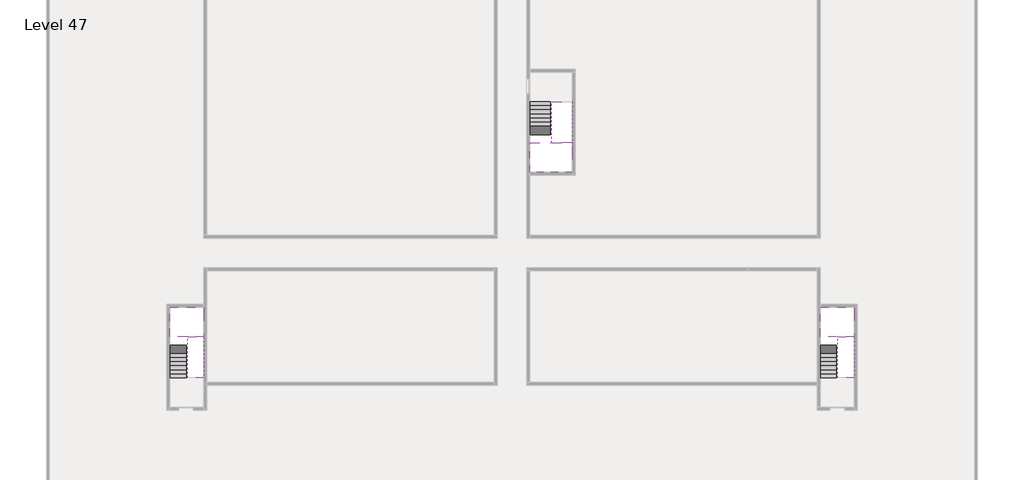
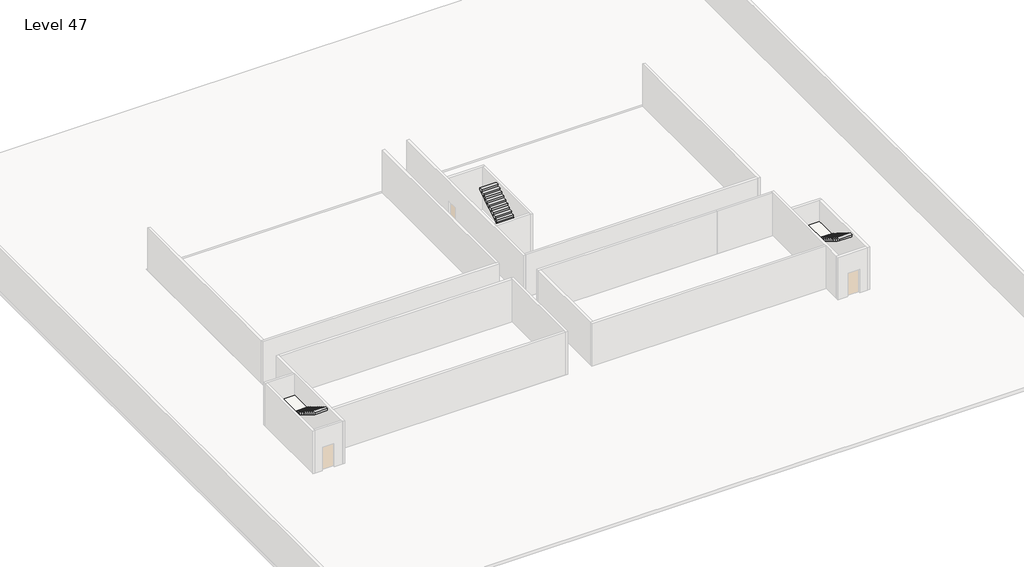
# One storey, part 2 of 2: 6 stair flights, 3 slabs.
"""IFC4 building model written with IfcOpenShell, lengths in millimetres."""

import ifcopenshell
import ifcopenshell.guid

model = None  # the IFC model being written
_history = None  # IfcOwnerHistory: only IFC2X3 demands one
_inside = {}  # id of a spatial element -> (the spatial element, [elements in it])
_under = {}  # id of a project, library or spatial element -> (it, [spatial elements below it])
_declared = {}  # id of a project -> (the project, [libraries it declares])
_typed = {}  # id of a type object -> (the type object, [elements of that type])
_made_of = {}  # id of a material, layer set ... -> (it, [elements and type objects made of it])


def new_model(schema):
    """Start an empty IFC model of exactly this schema.

    Asked for "IFC4X3", IfcOpenShell would pick the latest addendum, in which some entities
    have other attributes; the version numbers below select the first issue.
    IFC2X3 requires an IfcOwnerHistory on every rooted entity: one is made here for all.
    """
    global model, _history
    if schema == "IFC4X3":
        model = ifcopenshell.file(schema_version=(4, 3, 0, 0))
    else:
        model = ifcopenshell.file(schema=schema)
    _inside.clear()
    _under.clear()
    _declared.clear()
    _typed.clear()
    _made_of.clear()
    _history = None
    if model.schema == "IFC2X3":
        org = make("IfcOrganization", Name="unknown")
        user = make(
            "IfcPersonAndOrganization",
            ThePerson=make("IfcPerson", FamilyName="unknown"),
            TheOrganization=org,
        )
        app = make(
            "IfcApplication",
            ApplicationDeveloper=org,
            Version="unknown",
            ApplicationFullName="unknown",
            ApplicationIdentifier="unknown",
        )
        _history = make(
            "IfcOwnerHistory",
            OwningUser=user,
            OwningApplication=app,
            ChangeAction="ADDED",
            CreationDate=0,
        )
    return model


def make(cls, **values):
    """One entity of the class cls with the attributes given. An attribute that is None is left unset."""
    return model.create_entity(
        cls, **{name: value for name, value in values.items() if value is not None}
    )


def rooted(cls, **values):
    """An entity with a GlobalId (a new one), such as an element, a storey or a relation."""
    return make(cls, GlobalId=ifcopenshell.guid.new(), OwnerHistory=_history, **values)


def si_unit(unit_type, name, prefix=None):
    """IfcSIUnit, for example si_unit("LENGTHUNIT", "METRE", prefix="MILLI")."""
    return make("IfcSIUnit", UnitType=unit_type, Prefix=prefix, Name=name)


def assignment(units):
    """IfcUnitAssignment: the units of a project."""
    return None if units is None else make("IfcUnitAssignment", Units=units)


def point(xyz):
    """IfcCartesianPoint."""
    return None if xyz is None else make("IfcCartesianPoint", Coordinates=xyz)


def direction(xyz):
    """IfcDirection."""
    return None if xyz is None else make("IfcDirection", DirectionRatios=xyz)


def frame(location, z_axis=None, x_axis=None):
    """IfcAxis2Placement3D, a coordinate frame: its origin and axes. An axis left out is left unset."""
    return make(
        "IfcAxis2Placement3D",
        Location=point(location),
        Axis=direction(z_axis),
        RefDirection=direction(x_axis),
    )


def origin():
    """The frame at (0, 0, 0) with its axes left unset."""
    return frame((0.0, 0.0, 0.0))


def place(relative_to, where):
    """IfcLocalPlacement: puts the frame where relative to a parent placement (None: the world)."""
    return make(
        "IfcLocalPlacement", PlacementRelTo=relative_to, RelativePlacement=where
    )


def context(
    kind, dimensions, precision=None, world=None, true_north=None, identifier=None
):
    """IfcGeometricRepresentationContext, for example the 3D "Model" context."""
    return make(
        "IfcGeometricRepresentationContext",
        ContextIdentifier=identifier,
        ContextType=kind,
        CoordinateSpaceDimension=dimensions,
        Precision=precision,
        WorldCoordinateSystem=world,
        TrueNorth=true_north,
    )


def project(units=None, contexts=None):
    """IfcProject with its units and contexts."""
    return rooted(
        "IfcProject",
        Name="project",
        RepresentationContexts=contexts,
        UnitsInContext=assignment(units),
    )


def spatial(cls, under=None, at=None, **own):
    """A site, building, storey or space (cls), placed at a placement, below another one or the project."""
    s = rooted(cls, ObjectPlacement=at, **own)
    if under is not None:
        _under.setdefault(under.id(), (under, []))[1].append(s)
    return s


def faces_of(points, faces, orient=None, outer=None):
    """IfcFace entities. A face is a list of loops; a loop is a list of indices into points, from 0.

    orient and outer hold one flag for each loop. By default every Orientation is true, the
    first loop of a face is its IfcFaceOuterBound and the others are IfcFaceBound.
    """
    made = []
    for i, loops in enumerate(faces):
        bounds = []
        for j, loop in enumerate(loops):
            is_outer = j == 0 if outer is None else outer[i][j]
            bounds.append(
                make(
                    "IfcFaceOuterBound" if is_outer else "IfcFaceBound",
                    Bound=make("IfcPolyLoop", Polygon=[points[k] for k in loop]),
                    Orientation=True if orient is None else orient[i][j],
                )
            )
        made.append(make("IfcFace", Bounds=bounds))
    return made


def faceted_brep(points, faces, orient=None, outer=None, voids=None):
    """IfcFacetedBrep: a solid bounded by flat faces; with voids (closed shells), ...WithVoids."""
    shared = [point(p) for p in points]
    hull = make("IfcClosedShell", CfsFaces=faces_of(shared, faces, orient, outer))
    if voids is None:
        return make("IfcFacetedBrep", Outer=hull)
    return make(
        "IfcFacetedBrepWithVoids",
        Outer=hull,
        Voids=[
            make(cls, CfsFaces=faces_of(shared, fs, o, b)) for cls, fs, o, b in voids
        ],
    )


def shape(context_of_items, identifier, shape_type, items):
    """IfcShapeRepresentation: the items that make up one representation, for example the "Body"."""
    return make(
        "IfcShapeRepresentation",
        ContextOfItems=context_of_items,
        RepresentationIdentifier=identifier,
        RepresentationType=shape_type,
        Items=items,
    )


def made_of(thing, what):
    """Note that an element or type object is made of a material, layer set ...; save() writes the relation."""
    if what is not None:
        _made_of.setdefault(what.id(), (what, []))[1].append(thing)
    return thing


def element(
    cls,
    number,
    at=None,
    inside=None,
    cuts=None,
    type_object=None,
    material=None,
    context=None,
    identifier="Body",
    shape_type=None,
    held_by="IfcProductDefinitionShape",
    body=None,
    shapes=None,
    **own,
):
    """One element of the class cls, such as IfcWall. Its Tag is "e" and its number.

    at: its placement. inside: the storey or other place that contains it. cuts: it is an
    opening in that element (IfcRelVoidsElement). A single representation is given by context,
    identifier, shape_type and body (its items); several are given by shapes. held_by: the class
    of the entity that holds the representations. save() writes the other relations.
    """
    e = rooted(cls, Tag="e%d" % number, ObjectPlacement=at, **own)
    if body is not None:
        shapes = [shape(context, identifier, shape_type, body)]
    if shapes is not None:
        e.Representation = make(held_by, Representations=shapes)
    if inside is not None:
        _inside.setdefault(inside.id(), (inside, []))[1].append(e)
    if cuts is not None:
        rooted(
            "IfcRelVoidsElement", RelatingBuildingElement=cuts, RelatedOpeningElement=e
        )
    if type_object is not None:
        _typed.setdefault(type_object.id(), (type_object, []))[1].append(e)
    return made_of(e, material)


def aggregate(whole, parts):
    """IfcRelAggregates: a whole, such as a stair, and the parts it consists of."""
    return rooted("IfcRelAggregates", RelatingObject=whole, RelatedObjects=parts)


def save(model, path):
    """Write the relations noted so far, then the file.

    IfcRelAggregates (storeys below a building ...), IfcRelContainedInSpatialStructure (elements
    in a storey), IfcRelDefinesByType, IfcRelAssociatesMaterial and IfcRelDeclares: one each for
    every whole, place, type object, material and project.
    """
    for whole, parts in _under.values():
        aggregate(whole, parts)
    for where, things in _inside.values():
        rooted(
            "IfcRelContainedInSpatialStructure",
            RelatedElements=things,
            RelatingStructure=where,
        )
    for kind, things in _typed.values():
        rooted("IfcRelDefinesByType", RelatedObjects=things, RelatingType=kind)
    for what, things in _made_of.values():
        rooted("IfcRelAssociatesMaterial", RelatedObjects=things, RelatingMaterial=what)
    for by, libraries in _declared.values():
        rooted("IfcRelDeclares", RelatingContext=by, RelatedDefinitions=libraries)
    model.write(path)


model = new_model("IFC4")

# Units and contexts
model_context = context("Model", 3, world=origin())
ifc_project = project(units=[si_unit("LENGTHUNIT", "METRE", prefix="MILLI")], contexts=[model_context])

# Site, building, storey
site = spatial("IfcSite", under=ifc_project)
building = spatial("IfcBuilding", under=site)
storey = spatial("IfcBuildingStorey", under=building, Name="Level 47", Elevation=174800.0)

# Slabs
placement = place(None, origin())
element("IfcSlab", 1, at=placement, inside=storey, context=model_context, shape_type="Brep", body=[
    faceted_brep([(26790.1058784, -34218.09644, 176700.0), (25390.1058784, -34218.09644, 176700.0), (25390.1058784, -34297.4828763, 176700.0), (25390.1058784, -36218.09644, 176700.0), (28290.1058784, -36218.09644, 176700.0), (28290.1058784, -34418.7100038, 176700.0), (28290.1058784, -34218.09644, 176700.0), (26890.1058784, -34218.09644, 176700.0), (26790.1058784, -34218.09644, 176400.0), (26790.1058784, -34218.09644, 176351.0278478), (25390.1058784, -34218.09644, 176351.0278478), (25390.1058784, -34218.09644, 176527.2727273), (25390.1058784, -34297.4828763, 176400.0), (25390.1058784, -36218.09644, 176400.0), (28290.1058784, -36218.09644, 176400.0), (28290.1058784, -34418.7100038, 176400.0), (28290.1058784, -34218.09644, 176523.7551205), (26890.1058784, -34218.09644, 176523.7551205), (26890.1058784, -34218.09644, 176400.0), (26890.1058784, -34418.7100038, 176400.0), (26790.1058784, -34297.4828763, 176400.0)], [[[0, 1, 2, 3, 4, 5, 6, 7]], [[1, 0, 8, 9, 10, 11]], [[1, 11, 10, 12, 13, 3, 2]], [[4, 3, 13, 14]], [[4, 14, 15, 16, 6, 5]], [[7, 6, 16, 17]], [[0, 7, 17, 18, 8]], [[18, 19, 15, 14, 13, 12, 20, 8]], [[19, 18, 17]], [[20, 12, 10, 9]], [[8, 20, 9]], [[15, 19, 17, 16]]]),
])
element("IfcSlab", 2, at=placement, inside=storey, context=model_context, shape_type="Brep", body=[
    faceted_brep([(45190.1058784, -47418.09644, 176700.0), (46290.1058784, -47418.09644, 176700.0), (46390.1058784, -47418.09644, 176700.0), (47490.1058784, -47418.09644, 176700.0), (47490.1058784, -47217.4828763, 176700.0), (47490.1058784, -45418.09644, 176700.0), (45190.1058784, -45418.09644, 176700.0), (45190.1058784, -47338.7100038, 176700.0), (45190.1058784, -47418.09644, 176527.2727273), (45190.1058784, -47418.09644, 176351.0278478), (46290.1058784, -47418.09644, 176351.0278478), (46290.1058784, -47418.09644, 176400.0), (46390.1058784, -47418.09644, 176400.0), (46390.1058784, -47418.09644, 176523.7551205), (47490.1058784, -47418.09644, 176523.7551205), (47490.1058784, -47217.4828763, 176400.0), (47490.1058784, -45418.09644, 176400.0), (45190.1058784, -45418.09644, 176400.0), (45190.1058784, -47338.7100038, 176400.0), (46390.1058784, -47217.4828763, 176400.0), (46290.1058784, -47338.7100038, 176400.0)], [[[0, 1, 2, 3, 4, 5, 6, 7]], [[1, 0, 8, 9, 10, 11]], [[2, 1, 11, 12, 13]], [[3, 2, 13, 14]], [[3, 14, 15, 16, 5, 4]], [[6, 5, 16, 17]], [[9, 8, 0, 7, 6, 17, 18]], [[19, 12, 11, 20, 18, 17, 16, 15]], [[12, 19, 13]], [[18, 20, 10, 9]], [[20, 11, 10]], [[19, 15, 14, 13]]]),
])
element("IfcSlab", 3, at=placement, inside=storey, context=model_context, shape_type="Brep", body=[
    faceted_brep([(890.1058784, -47418.09644, 176700.0), (1990.1058784, -47418.09644, 176700.0), (2090.1058784, -47418.09644, 176700.0), (3190.1058784, -47418.09644, 176700.0), (3190.1058784, -47217.4828763, 176700.0), (3190.1058784, -45418.09644, 176700.0), (890.1058784, -45418.09644, 176700.0), (890.1058784, -47338.7100038, 176700.0), (890.1058784, -47418.09644, 176527.2727273), (890.1058784, -47418.09644, 176351.0278478), (1990.1058784, -47418.09644, 176351.0278478), (1990.1058784, -47418.09644, 176400.0), (2090.1058784, -47418.09644, 176400.0), (2090.1058784, -47418.09644, 176523.7551205), (3190.1058784, -47418.09644, 176523.7551205), (3190.1058784, -47217.4828763, 176400.0), (3190.1058784, -45418.09644, 176400.0), (890.1058784, -45418.09644, 176400.0), (890.1058784, -47338.7100038, 176400.0), (2090.1058784, -47217.4828763, 176400.0), (1990.1058784, -47338.7100038, 176400.0)], [[[0, 1, 2, 3, 4, 5, 6, 7]], [[1, 0, 8, 9, 10, 11]], [[2, 1, 11, 12, 13]], [[3, 2, 13, 14]], [[3, 14, 15, 16, 5, 4]], [[6, 5, 16, 17]], [[9, 8, 0, 7, 6, 17, 18]], [[19, 12, 11, 20, 18, 17, 16, 15]], [[12, 19, 13]], [[18, 20, 10, 9]], [[20, 11, 10]], [[19, 15, 14, 13]]]),
])

# Stair flights
element("IfcStairFlight", 4, at=placement, inside=storey, context=model_context, shape_type="Brep", body=[
    faceted_brep([(26790.1058784, -31698.09644, 174972.7272727), (26790.1058784, -31418.09644, 174972.7272727), (25390.1058784, -31418.09644, 174972.7272727), (25390.1058784, -31698.09644, 174972.7272727), (26790.1058784, -31698.09644, 174800.0), (26790.1058784, -31418.09644, 174800.0), (25390.1058784, -31418.09644, 174800.0), (25390.1058784, -31698.09644, 174800.0), (26790.1058784, -31978.09644, 175145.4545455), (26790.1058784, -31698.09644, 175145.4545455), (25390.1058784, -31698.09644, 175145.4545455), (25390.1058784, -31978.09644, 175145.4545455), (26790.1058784, -31978.09644, 174969.209666), (26790.1058784, -31703.7986657, 174800.0), (25390.1058784, -31703.7986657, 174800.0), (25390.1058784, -31978.09644, 174969.209666), (26790.1058784, -32258.09644, 175318.1818182), (26790.1058784, -31978.09644, 175318.1818182), (25390.1058784, -31978.09644, 175318.1818182), (25390.1058784, -32258.09644, 175318.1818182), (26790.1058784, -32258.09644, 175141.9369387), (25390.1058784, -32258.09644, 175141.9369387), (26790.1058784, -32538.09644, 175490.9090909), (26790.1058784, -32258.09644, 175490.9090909), (25390.1058784, -32258.09644, 175490.9090909), (25390.1058784, -32538.09644, 175490.9090909), (26790.1058784, -32538.09644, 175314.6642114), (25390.1058784, -32538.09644, 175314.6642114), (26790.1058784, -32818.09644, 175663.6363636), (26790.1058784, -32538.09644, 175663.6363636), (25390.1058784, -32538.09644, 175663.6363636), (25390.1058784, -32818.09644, 175663.6363636), (26790.1058784, -32818.09644, 175487.3914841), (25390.1058784, -32818.09644, 175487.3914841), (26790.1058784, -33098.09644, 175836.3636364), (26790.1058784, -32818.09644, 175836.3636364), (25390.1058784, -32818.09644, 175836.3636364), (25390.1058784, -33098.09644, 175836.3636364), (26790.1058784, -33098.09644, 175660.1187569), (25390.1058784, -33098.09644, 175660.1187569), (26790.1058784, -33378.09644, 176009.0909091), (26790.1058784, -33098.09644, 176009.0909091), (25390.1058784, -33098.09644, 176009.0909091), (25390.1058784, -33378.09644, 176009.0909091), (26790.1058784, -33378.09644, 175832.8460296), (25390.1058784, -33378.09644, 175832.8460296), (26790.1058784, -33658.09644, 176181.8181818), (26790.1058784, -33378.09644, 176181.8181818), (25390.1058784, -33378.09644, 176181.8181818), (25390.1058784, -33658.09644, 176181.8181818), (26790.1058784, -33658.09644, 176005.5733023), (25390.1058784, -33658.09644, 176005.5733023), (26790.1058784, -33938.09644, 176354.5454545), (26790.1058784, -33658.09644, 176354.5454545), (25390.1058784, -33658.09644, 176354.5454545), (25390.1058784, -33938.09644, 176354.5454545), (26790.1058784, -33938.09644, 176178.3005751), (25390.1058784, -33938.09644, 176178.3005751), (26790.1058784, -34218.09644, 176527.2727273), (26790.1058784, -33938.09644, 176527.2727273), (25390.1058784, -33938.09644, 176527.2727273), (25390.1058784, -34218.09644, 176527.2727273), (26790.1058784, -34218.09644, 176400.0), (26790.1058784, -34218.09644, 176351.0278478), (25390.1058784, -34218.09644, 176351.0278478)], [[[0, 1, 2, 3]], [[1, 0, 4, 5]], [[2, 1, 5, 6]], [[3, 2, 6, 7]], [[8, 9, 10, 11]], [[4, 0, 9, 8, 12, 13]], [[0, 3, 10, 9]], [[3, 7, 14, 15, 11, 10]], [[16, 17, 18, 19]], [[17, 16, 20, 12, 8]], [[8, 11, 18, 17]], [[19, 18, 11, 15, 21]], [[22, 23, 24, 25]], [[23, 22, 26, 20, 16]], [[16, 19, 24, 23]], [[25, 24, 19, 21, 27]], [[28, 29, 30, 31]], [[29, 28, 32, 26, 22]], [[22, 25, 30, 29]], [[31, 30, 25, 27, 33]], [[34, 35, 36, 37]], [[35, 34, 38, 32, 28]], [[28, 31, 36, 35]], [[37, 36, 31, 33, 39]], [[40, 41, 42, 43]], [[41, 40, 44, 38, 34]], [[34, 37, 42, 41]], [[43, 42, 37, 39, 45]], [[46, 47, 48, 49]], [[47, 46, 50, 44, 40]], [[40, 43, 48, 47]], [[49, 48, 43, 45, 51]], [[52, 53, 54, 55]], [[53, 52, 56, 50, 46]], [[46, 49, 54, 53]], [[55, 54, 49, 51, 57]], [[58, 59, 60, 61]], [[59, 58, 62, 63, 56, 52]], [[52, 55, 60, 59]], [[61, 60, 55, 57, 64]], [[58, 61, 64, 63, 62]], [[5, 4, 13, 14, 7, 6]], [[14, 13, 12, 20, 26, 32, 38, 44, 50, 56, 63, 64, 57, 51, 45, 39, 33, 27, 21, 15]]]),
])
element("IfcStairFlight", 5, at=placement, inside=storey, context=model_context, shape_type="Brep", body=[
    faceted_brep([(26890.1058784, -33938.09644, 176872.7272727), (26890.1058784, -34218.09644, 176872.7272727), (28290.1058784, -34218.09644, 176872.7272727), (28290.1058784, -33938.09644, 176872.7272727), (26890.1058784, -33938.09644, 176696.4823932), (26890.1058784, -34218.09644, 176523.7551205), (28290.1058784, -34218.09644, 176523.7551205), (28290.1058784, -34218.09644, 176700.0), (28290.1058784, -33938.09644, 176696.4823932), (26890.1058784, -33658.09644, 177045.4545455), (26890.1058784, -33938.09644, 177045.4545455), (28290.1058784, -33938.09644, 177045.4545455), (28290.1058784, -33658.09644, 177045.4545455), (26890.1058784, -33658.09644, 176869.209666), (28290.1058784, -33658.09644, 176869.209666), (26890.1058784, -33378.09644, 177218.1818182), (26890.1058784, -33658.09644, 177218.1818182), (28290.1058784, -33658.09644, 177218.1818182), (28290.1058784, -33378.09644, 177218.1818182), (26890.1058784, -33378.09644, 177041.9369387), (28290.1058784, -33378.09644, 177041.9369387), (26890.1058784, -33098.09644, 177390.9090909), (26890.1058784, -33378.09644, 177390.9090909), (28290.1058784, -33378.09644, 177390.9090909), (28290.1058784, -33098.09644, 177390.9090909), (26890.1058784, -33098.09644, 177214.6642114), (28290.1058784, -33098.09644, 177214.6642114), (26890.1058784, -32818.09644, 177563.6363636), (26890.1058784, -33098.09644, 177563.6363636), (28290.1058784, -33098.09644, 177563.6363636), (28290.1058784, -32818.09644, 177563.6363636), (26890.1058784, -32818.09644, 177387.3914841), (28290.1058784, -32818.09644, 177387.3914841), (26890.1058784, -32538.09644, 177736.3636364), (26890.1058784, -32818.09644, 177736.3636364), (28290.1058784, -32818.09644, 177736.3636364), (28290.1058784, -32538.09644, 177736.3636364), (26890.1058784, -32538.09644, 177560.1187569), (28290.1058784, -32538.09644, 177560.1187569), (26890.1058784, -32258.09644, 177909.0909091), (26890.1058784, -32538.09644, 177909.0909091), (28290.1058784, -32538.09644, 177909.0909091), (28290.1058784, -32258.09644, 177909.0909091), (26890.1058784, -32258.09644, 177732.8460296), (28290.1058784, -32258.09644, 177732.8460296), (26890.1058784, -31978.09644, 178081.8181818), (26890.1058784, -32258.09644, 178081.8181818), (28290.1058784, -32258.09644, 178081.8181818), (28290.1058784, -31978.09644, 178081.8181818), (26890.1058784, -31978.09644, 177905.5733023), (28290.1058784, -31978.09644, 177905.5733023), (26890.1058784, -31698.09644, 178254.5454545), (26890.1058784, -31978.09644, 178254.5454545), (28290.1058784, -31978.09644, 178254.5454545), (28290.1058784, -31698.09644, 178254.5454545), (26890.1058784, -31698.09644, 178078.3005751), (28290.1058784, -31698.09644, 178078.3005751), (26890.1058784, -31418.09644, 178427.2727273), (26890.1058784, -31698.09644, 178427.2727273), (28290.1058784, -31698.09644, 178427.2727273), (28290.1058784, -31418.09644, 178427.2727273), (26890.1058784, -31418.09644, 178251.0278478), (28290.1058784, -31418.09644, 178251.0278478)], [[[0, 1, 2, 3]], [[1, 0, 4, 5]], [[2, 1, 5, 6, 7]], [[3, 2, 7, 6, 8]], [[9, 10, 11, 12]], [[10, 9, 13, 4, 0]], [[11, 10, 0, 3]], [[12, 11, 3, 8, 14]], [[15, 16, 17, 18]], [[16, 15, 19, 13, 9]], [[17, 16, 9, 12]], [[18, 17, 12, 14, 20]], [[21, 22, 23, 24]], [[22, 21, 25, 19, 15]], [[23, 22, 15, 18]], [[24, 23, 18, 20, 26]], [[27, 28, 29, 30]], [[28, 27, 31, 25, 21]], [[29, 28, 21, 24]], [[30, 29, 24, 26, 32]], [[33, 34, 35, 36]], [[34, 33, 37, 31, 27]], [[35, 34, 27, 30]], [[36, 35, 30, 32, 38]], [[39, 40, 41, 42]], [[40, 39, 43, 37, 33]], [[41, 40, 33, 36]], [[42, 41, 36, 38, 44]], [[45, 46, 47, 48]], [[46, 45, 49, 43, 39]], [[47, 46, 39, 42]], [[48, 47, 42, 44, 50]], [[51, 52, 53, 54]], [[52, 51, 55, 49, 45]], [[53, 52, 45, 48]], [[54, 53, 48, 50, 56]], [[57, 58, 59, 60]], [[58, 57, 61, 55, 51]], [[59, 58, 51, 54]], [[60, 59, 54, 56, 62]], [[57, 60, 62, 61]], [[5, 4, 13, 19, 25, 31, 37, 43, 49, 55, 61, 62, 56, 50, 44, 38, 32, 26, 20, 14, 8, 6]]]),
])
element("IfcStairFlight", 6, at=placement, inside=storey, context=model_context, shape_type="Brep", body=[
    faceted_brep([(45190.1058784, -49938.09644, 174972.7272727), (45190.1058784, -50218.09644, 174972.7272727), (46290.1058784, -50218.09644, 174972.7272727), (46290.1058784, -49938.09644, 174972.7272727), (45190.1058784, -49938.09644, 174800.0), (45190.1058784, -50218.09644, 174800.0), (46290.1058784, -50218.09644, 174800.0), (46290.1058784, -49938.09644, 174800.0), (45190.1058784, -49658.09644, 175145.4545455), (45190.1058784, -49938.09644, 175145.4545455), (46290.1058784, -49938.09644, 175145.4545455), (46290.1058784, -49658.09644, 175145.4545455), (45190.1058784, -49658.09644, 174969.209666), (45190.1058784, -49932.3942143, 174800.0), (46290.1058784, -49932.3942143, 174800.0), (46290.1058784, -49658.09644, 174969.209666), (45190.1058784, -49378.09644, 175318.1818182), (45190.1058784, -49658.09644, 175318.1818182), (46290.1058784, -49658.09644, 175318.1818182), (46290.1058784, -49378.09644, 175318.1818182), (45190.1058784, -49378.09644, 175141.9369387), (46290.1058784, -49378.09644, 175141.9369387), (45190.1058784, -49098.09644, 175490.9090909), (45190.1058784, -49378.09644, 175490.9090909), (46290.1058784, -49378.09644, 175490.9090909), (46290.1058784, -49098.09644, 175490.9090909), (45190.1058784, -49098.09644, 175314.6642114), (46290.1058784, -49098.09644, 175314.6642114), (45190.1058784, -48818.09644, 175663.6363636), (45190.1058784, -49098.09644, 175663.6363636), (46290.1058784, -49098.09644, 175663.6363636), (46290.1058784, -48818.09644, 175663.6363636), (45190.1058784, -48818.09644, 175487.3914841), (46290.1058784, -48818.09644, 175487.3914841), (45190.1058784, -48538.09644, 175836.3636364), (45190.1058784, -48818.09644, 175836.3636364), (46290.1058784, -48818.09644, 175836.3636364), (46290.1058784, -48538.09644, 175836.3636364), (45190.1058784, -48538.09644, 175660.1187569), (46290.1058784, -48538.09644, 175660.1187569), (45190.1058784, -48258.09644, 176009.0909091), (45190.1058784, -48538.09644, 176009.0909091), (46290.1058784, -48538.09644, 176009.0909091), (46290.1058784, -48258.09644, 176009.0909091), (45190.1058784, -48258.09644, 175832.8460296), (46290.1058784, -48258.09644, 175832.8460296), (45190.1058784, -47978.09644, 176181.8181818), (45190.1058784, -48258.09644, 176181.8181818), (46290.1058784, -48258.09644, 176181.8181818), (46290.1058784, -47978.09644, 176181.8181818), (45190.1058784, -47978.09644, 176005.5733023), (46290.1058784, -47978.09644, 176005.5733023), (45190.1058784, -47698.09644, 176354.5454545), (45190.1058784, -47978.09644, 176354.5454545), (46290.1058784, -47978.09644, 176354.5454545), (46290.1058784, -47698.09644, 176354.5454545), (45190.1058784, -47698.09644, 176178.3005751), (46290.1058784, -47698.09644, 176178.3005751), (45190.1058784, -47418.09644, 176527.2727273), (45190.1058784, -47698.09644, 176527.2727273), (46290.1058784, -47698.09644, 176527.2727273), (46290.1058784, -47418.09644, 176527.2727273), (45190.1058784, -47418.09644, 176351.0278478), (46290.1058784, -47418.09644, 176351.0278478), (46290.1058784, -47418.09644, 176400.0)], [[[0, 1, 2, 3]], [[1, 0, 4, 5]], [[2, 1, 5, 6]], [[3, 2, 6, 7]], [[8, 9, 10, 11]], [[4, 0, 9, 8, 12, 13]], [[0, 3, 10, 9]], [[3, 7, 14, 15, 11, 10]], [[16, 17, 18, 19]], [[17, 16, 20, 12, 8]], [[8, 11, 18, 17]], [[19, 18, 11, 15, 21]], [[22, 23, 24, 25]], [[23, 22, 26, 20, 16]], [[16, 19, 24, 23]], [[25, 24, 19, 21, 27]], [[28, 29, 30, 31]], [[29, 28, 32, 26, 22]], [[22, 25, 30, 29]], [[31, 30, 25, 27, 33]], [[34, 35, 36, 37]], [[35, 34, 38, 32, 28]], [[28, 31, 36, 35]], [[37, 36, 31, 33, 39]], [[40, 41, 42, 43]], [[41, 40, 44, 38, 34]], [[34, 37, 42, 41]], [[43, 42, 37, 39, 45]], [[46, 47, 48, 49]], [[47, 46, 50, 44, 40]], [[40, 43, 48, 47]], [[49, 48, 43, 45, 51]], [[52, 53, 54, 55]], [[53, 52, 56, 50, 46]], [[46, 49, 54, 53]], [[55, 54, 49, 51, 57]], [[58, 59, 60, 61]], [[59, 58, 62, 56, 52]], [[52, 55, 60, 59]], [[61, 60, 55, 57, 63, 64]], [[58, 61, 64, 63, 62]], [[5, 4, 13, 14, 7, 6]], [[14, 13, 12, 20, 26, 32, 38, 44, 50, 56, 62, 63, 57, 51, 45, 39, 33, 27, 21, 15]]]),
])
element("IfcStairFlight", 7, at=placement, inside=storey, context=model_context, shape_type="Brep", body=[
    faceted_brep([(47490.1058784, -47698.09644, 176872.7272727), (47490.1058784, -47418.09644, 176872.7272727), (46390.1058784, -47418.09644, 176872.7272727), (46390.1058784, -47698.09644, 176872.7272727), (47490.1058784, -47698.09644, 176696.4823932), (47490.1058784, -47418.09644, 176523.7551205), (47490.1058784, -47418.09644, 176700.0), (46390.1058784, -47418.09644, 176523.7551205), (46390.1058784, -47698.09644, 176696.4823932), (47490.1058784, -47978.09644, 177045.4545455), (47490.1058784, -47698.09644, 177045.4545455), (46390.1058784, -47698.09644, 177045.4545455), (46390.1058784, -47978.09644, 177045.4545455), (47490.1058784, -47978.09644, 176869.209666), (46390.1058784, -47978.09644, 176869.209666), (47490.1058784, -48258.09644, 177218.1818182), (47490.1058784, -47978.09644, 177218.1818182), (46390.1058784, -47978.09644, 177218.1818182), (46390.1058784, -48258.09644, 177218.1818182), (47490.1058784, -48258.09644, 177041.9369387), (46390.1058784, -48258.09644, 177041.9369387), (47490.1058784, -48538.09644, 177390.9090909), (47490.1058784, -48258.09644, 177390.9090909), (46390.1058784, -48258.09644, 177390.9090909), (46390.1058784, -48538.09644, 177390.9090909), (47490.1058784, -48538.09644, 177214.6642114), (46390.1058784, -48538.09644, 177214.6642114), (47490.1058784, -48818.09644, 177563.6363636), (47490.1058784, -48538.09644, 177563.6363636), (46390.1058784, -48538.09644, 177563.6363636), (46390.1058784, -48818.09644, 177563.6363636), (47490.1058784, -48818.09644, 177387.3914841), (46390.1058784, -48818.09644, 177387.3914841), (47490.1058784, -49098.09644, 177736.3636364), (47490.1058784, -48818.09644, 177736.3636364), (46390.1058784, -48818.09644, 177736.3636364), (46390.1058784, -49098.09644, 177736.3636364), (47490.1058784, -49098.09644, 177560.1187569), (46390.1058784, -49098.09644, 177560.1187569), (47490.1058784, -49378.09644, 177909.0909091), (47490.1058784, -49098.09644, 177909.0909091), (46390.1058784, -49098.09644, 177909.0909091), (46390.1058784, -49378.09644, 177909.0909091), (47490.1058784, -49378.09644, 177732.8460296), (46390.1058784, -49378.09644, 177732.8460296), (47490.1058784, -49658.09644, 178081.8181818), (47490.1058784, -49378.09644, 178081.8181818), (46390.1058784, -49378.09644, 178081.8181818), (46390.1058784, -49658.09644, 178081.8181818), (47490.1058784, -49658.09644, 177905.5733023), (46390.1058784, -49658.09644, 177905.5733023), (47490.1058784, -49938.09644, 178254.5454545), (47490.1058784, -49658.09644, 178254.5454545), (46390.1058784, -49658.09644, 178254.5454545), (46390.1058784, -49938.09644, 178254.5454545), (47490.1058784, -49938.09644, 178078.3005751), (46390.1058784, -49938.09644, 178078.3005751), (47490.1058784, -50218.09644, 178427.2727273), (47490.1058784, -49938.09644, 178427.2727273), (46390.1058784, -49938.09644, 178427.2727273), (46390.1058784, -50218.09644, 178427.2727273), (47490.1058784, -50218.09644, 178251.0278478), (46390.1058784, -50218.09644, 178251.0278478)], [[[0, 1, 2, 3]], [[1, 0, 4, 5, 6]], [[2, 1, 6, 5, 7]], [[3, 2, 7, 8]], [[9, 10, 11, 12]], [[10, 9, 13, 4, 0]], [[11, 10, 0, 3]], [[12, 11, 3, 8, 14]], [[15, 16, 17, 18]], [[16, 15, 19, 13, 9]], [[17, 16, 9, 12]], [[18, 17, 12, 14, 20]], [[21, 22, 23, 24]], [[22, 21, 25, 19, 15]], [[23, 22, 15, 18]], [[24, 23, 18, 20, 26]], [[27, 28, 29, 30]], [[28, 27, 31, 25, 21]], [[29, 28, 21, 24]], [[30, 29, 24, 26, 32]], [[33, 34, 35, 36]], [[34, 33, 37, 31, 27]], [[35, 34, 27, 30]], [[36, 35, 30, 32, 38]], [[39, 40, 41, 42]], [[40, 39, 43, 37, 33]], [[41, 40, 33, 36]], [[42, 41, 36, 38, 44]], [[45, 46, 47, 48]], [[46, 45, 49, 43, 39]], [[47, 46, 39, 42]], [[48, 47, 42, 44, 50]], [[51, 52, 53, 54]], [[52, 51, 55, 49, 45]], [[53, 52, 45, 48]], [[54, 53, 48, 50, 56]], [[57, 58, 59, 60]], [[58, 57, 61, 55, 51]], [[59, 58, 51, 54]], [[60, 59, 54, 56, 62]], [[57, 60, 62, 61]], [[5, 4, 13, 19, 25, 31, 37, 43, 49, 55, 61, 62, 56, 50, 44, 38, 32, 26, 20, 14, 8, 7]]]),
])
element("IfcStairFlight", 8, at=placement, inside=storey, context=model_context, shape_type="Brep", body=[
    faceted_brep([(890.1058784, -49938.09644, 174972.7272727), (890.1058784, -50218.09644, 174972.7272727), (1990.1058784, -50218.09644, 174972.7272727), (1990.1058784, -49938.09644, 174972.7272727), (890.1058784, -49938.09644, 174800.0), (890.1058784, -50218.09644, 174800.0), (1990.1058784, -50218.09644, 174800.0), (1990.1058784, -49938.09644, 174800.0), (890.1058784, -49658.09644, 175145.4545455), (890.1058784, -49938.09644, 175145.4545455), (1990.1058784, -49938.09644, 175145.4545455), (1990.1058784, -49658.09644, 175145.4545455), (890.1058784, -49658.09644, 174969.209666), (890.1058784, -49932.3942143, 174800.0), (1990.1058784, -49932.3942143, 174800.0), (1990.1058784, -49658.09644, 174969.209666), (890.1058784, -49378.09644, 175318.1818182), (890.1058784, -49658.09644, 175318.1818182), (1990.1058784, -49658.09644, 175318.1818182), (1990.1058784, -49378.09644, 175318.1818182), (890.1058784, -49378.09644, 175141.9369387), (1990.1058784, -49378.09644, 175141.9369387), (890.1058784, -49098.09644, 175490.9090909), (890.1058784, -49378.09644, 175490.9090909), (1990.1058784, -49378.09644, 175490.9090909), (1990.1058784, -49098.09644, 175490.9090909), (890.1058784, -49098.09644, 175314.6642114), (1990.1058784, -49098.09644, 175314.6642114), (890.1058784, -48818.09644, 175663.6363636), (890.1058784, -49098.09644, 175663.6363636), (1990.1058784, -49098.09644, 175663.6363636), (1990.1058784, -48818.09644, 175663.6363636), (890.1058784, -48818.09644, 175487.3914841), (1990.1058784, -48818.09644, 175487.3914841), (890.1058784, -48538.09644, 175836.3636364), (890.1058784, -48818.09644, 175836.3636364), (1990.1058784, -48818.09644, 175836.3636364), (1990.1058784, -48538.09644, 175836.3636364), (890.1058784, -48538.09644, 175660.1187569), (1990.1058784, -48538.09644, 175660.1187569), (890.1058784, -48258.09644, 176009.0909091), (890.1058784, -48538.09644, 176009.0909091), (1990.1058784, -48538.09644, 176009.0909091), (1990.1058784, -48258.09644, 176009.0909091), (890.1058784, -48258.09644, 175832.8460296), (1990.1058784, -48258.09644, 175832.8460296), (890.1058784, -47978.09644, 176181.8181818), (890.1058784, -48258.09644, 176181.8181818), (1990.1058784, -48258.09644, 176181.8181818), (1990.1058784, -47978.09644, 176181.8181818), (890.1058784, -47978.09644, 176005.5733023), (1990.1058784, -47978.09644, 176005.5733023), (890.1058784, -47698.09644, 176354.5454545), (890.1058784, -47978.09644, 176354.5454545), (1990.1058784, -47978.09644, 176354.5454545), (1990.1058784, -47698.09644, 176354.5454545), (890.1058784, -47698.09644, 176178.3005751), (1990.1058784, -47698.09644, 176178.3005751), (890.1058784, -47418.09644, 176527.2727273), (890.1058784, -47698.09644, 176527.2727273), (1990.1058784, -47698.09644, 176527.2727273), (1990.1058784, -47418.09644, 176527.2727273), (890.1058784, -47418.09644, 176351.0278478), (1990.1058784, -47418.09644, 176351.0278478), (1990.1058784, -47418.09644, 176400.0)], [[[0, 1, 2, 3]], [[1, 0, 4, 5]], [[2, 1, 5, 6]], [[3, 2, 6, 7]], [[8, 9, 10, 11]], [[4, 0, 9, 8, 12, 13]], [[0, 3, 10, 9]], [[3, 7, 14, 15, 11, 10]], [[16, 17, 18, 19]], [[17, 16, 20, 12, 8]], [[8, 11, 18, 17]], [[19, 18, 11, 15, 21]], [[22, 23, 24, 25]], [[23, 22, 26, 20, 16]], [[16, 19, 24, 23]], [[25, 24, 19, 21, 27]], [[28, 29, 30, 31]], [[29, 28, 32, 26, 22]], [[22, 25, 30, 29]], [[31, 30, 25, 27, 33]], [[34, 35, 36, 37]], [[35, 34, 38, 32, 28]], [[28, 31, 36, 35]], [[37, 36, 31, 33, 39]], [[40, 41, 42, 43]], [[41, 40, 44, 38, 34]], [[34, 37, 42, 41]], [[43, 42, 37, 39, 45]], [[46, 47, 48, 49]], [[47, 46, 50, 44, 40]], [[40, 43, 48, 47]], [[49, 48, 43, 45, 51]], [[52, 53, 54, 55]], [[53, 52, 56, 50, 46]], [[46, 49, 54, 53]], [[55, 54, 49, 51, 57]], [[58, 59, 60, 61]], [[59, 58, 62, 56, 52]], [[52, 55, 60, 59]], [[61, 60, 55, 57, 63, 64]], [[58, 61, 64, 63, 62]], [[5, 4, 13, 14, 7, 6]], [[14, 13, 12, 20, 26, 32, 38, 44, 50, 56, 62, 63, 57, 51, 45, 39, 33, 27, 21, 15]]]),
])
element("IfcStairFlight", 9, at=placement, inside=storey, context=model_context, shape_type="Brep", body=[
    faceted_brep([(3190.1058784, -47698.09644, 176872.7272727), (3190.1058784, -47418.09644, 176872.7272727), (2090.1058784, -47418.09644, 176872.7272727), (2090.1058784, -47698.09644, 176872.7272727), (3190.1058784, -47698.09644, 176696.4823932), (3190.1058784, -47418.09644, 176523.7551205), (3190.1058784, -47418.09644, 176700.0), (2090.1058784, -47418.09644, 176523.7551205), (2090.1058784, -47698.09644, 176696.4823932), (3190.1058784, -47978.09644, 177045.4545455), (3190.1058784, -47698.09644, 177045.4545455), (2090.1058784, -47698.09644, 177045.4545455), (2090.1058784, -47978.09644, 177045.4545455), (3190.1058784, -47978.09644, 176869.209666), (2090.1058784, -47978.09644, 176869.209666), (3190.1058784, -48258.09644, 177218.1818182), (3190.1058784, -47978.09644, 177218.1818182), (2090.1058784, -47978.09644, 177218.1818182), (2090.1058784, -48258.09644, 177218.1818182), (3190.1058784, -48258.09644, 177041.9369387), (2090.1058784, -48258.09644, 177041.9369387), (3190.1058784, -48538.09644, 177390.9090909), (3190.1058784, -48258.09644, 177390.9090909), (2090.1058784, -48258.09644, 177390.9090909), (2090.1058784, -48538.09644, 177390.9090909), (3190.1058784, -48538.09644, 177214.6642114), (2090.1058784, -48538.09644, 177214.6642114), (3190.1058784, -48818.09644, 177563.6363636), (3190.1058784, -48538.09644, 177563.6363636), (2090.1058784, -48538.09644, 177563.6363636), (2090.1058784, -48818.09644, 177563.6363636), (3190.1058784, -48818.09644, 177387.3914841), (2090.1058784, -48818.09644, 177387.3914841), (3190.1058784, -49098.09644, 177736.3636364), (3190.1058784, -48818.09644, 177736.3636364), (2090.1058784, -48818.09644, 177736.3636364), (2090.1058784, -49098.09644, 177736.3636364), (3190.1058784, -49098.09644, 177560.1187569), (2090.1058784, -49098.09644, 177560.1187569), (3190.1058784, -49378.09644, 177909.0909091), (3190.1058784, -49098.09644, 177909.0909091), (2090.1058784, -49098.09644, 177909.0909091), (2090.1058784, -49378.09644, 177909.0909091), (3190.1058784, -49378.09644, 177732.8460296), (2090.1058784, -49378.09644, 177732.8460296), (3190.1058784, -49658.09644, 178081.8181818), (3190.1058784, -49378.09644, 178081.8181818), (2090.1058784, -49378.09644, 178081.8181818), (2090.1058784, -49658.09644, 178081.8181818), (3190.1058784, -49658.09644, 177905.5733023), (2090.1058784, -49658.09644, 177905.5733023), (3190.1058784, -49938.09644, 178254.5454545), (3190.1058784, -49658.09644, 178254.5454545), (2090.1058784, -49658.09644, 178254.5454545), (2090.1058784, -49938.09644, 178254.5454545), (3190.1058784, -49938.09644, 178078.3005751), (2090.1058784, -49938.09644, 178078.3005751), (3190.1058784, -50218.09644, 178427.2727273), (3190.1058784, -49938.09644, 178427.2727273), (2090.1058784, -49938.09644, 178427.2727273), (2090.1058784, -50218.09644, 178427.2727273), (3190.1058784, -50218.09644, 178251.0278478), (2090.1058784, -50218.09644, 178251.0278478)], [[[0, 1, 2, 3]], [[1, 0, 4, 5, 6]], [[2, 1, 6, 5, 7]], [[3, 2, 7, 8]], [[9, 10, 11, 12]], [[10, 9, 13, 4, 0]], [[11, 10, 0, 3]], [[12, 11, 3, 8, 14]], [[15, 16, 17, 18]], [[16, 15, 19, 13, 9]], [[17, 16, 9, 12]], [[18, 17, 12, 14, 20]], [[21, 22, 23, 24]], [[22, 21, 25, 19, 15]], [[23, 22, 15, 18]], [[24, 23, 18, 20, 26]], [[27, 28, 29, 30]], [[28, 27, 31, 25, 21]], [[29, 28, 21, 24]], [[30, 29, 24, 26, 32]], [[33, 34, 35, 36]], [[34, 33, 37, 31, 27]], [[35, 34, 27, 30]], [[36, 35, 30, 32, 38]], [[39, 40, 41, 42]], [[40, 39, 43, 37, 33]], [[41, 40, 33, 36]], [[42, 41, 36, 38, 44]], [[45, 46, 47, 48]], [[46, 45, 49, 43, 39]], [[47, 46, 39, 42]], [[48, 47, 42, 44, 50]], [[51, 52, 53, 54]], [[52, 51, 55, 49, 45]], [[53, 52, 45, 48]], [[54, 53, 48, 50, 56]], [[57, 58, 59, 60]], [[58, 57, 61, 55, 51]], [[59, 58, 51, 54]], [[60, 59, 54, 56, 62]], [[57, 60, 62, 61]], [[5, 4, 13, 19, 25, 31, 37, 43, 49, 55, 61, 62, 56, 50, 44, 38, 32, 26, 20, 14, 8, 7]]]),
])

save(model, "model.ifc")
